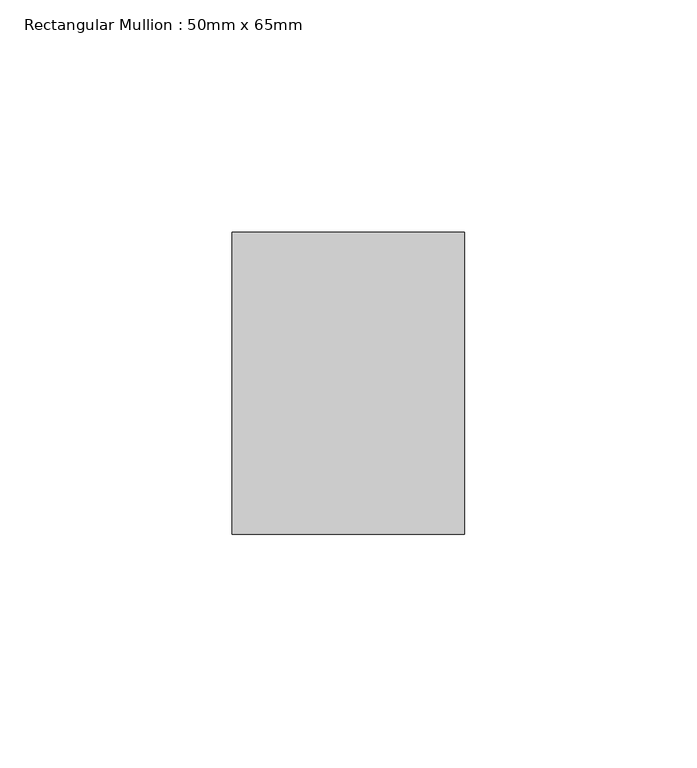
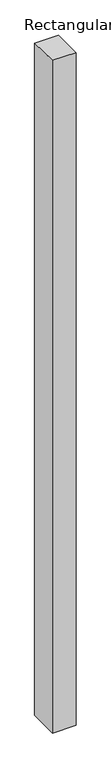
"""IFC4 building model written with IfcOpenShell, lengths in millimetres: member geometry, Rectangular Mullion : 50mm x 65mm."""

import ifcopenshell
import ifcopenshell.guid

model = None  # the IFC model being written
_history = None  # IfcOwnerHistory: only IFC2X3 demands one
_inside = {}  # id of a spatial element -> (the spatial element, [elements in it])
_under = {}  # id of a project, library or spatial element -> (it, [spatial elements below it])
_declared = {}  # id of a project -> (the project, [libraries it declares])
_typed = {}  # id of a type object -> (the type object, [elements of that type])
_made_of = {}  # id of a material, layer set ... -> (it, [elements and type objects made of it])


def new_model(schema):
    """Start an empty IFC model of exactly this schema.

    Asked for "IFC4X3", IfcOpenShell would pick the latest addendum, in which some entities
    have other attributes; the version numbers below select the first issue.
    IFC2X3 requires an IfcOwnerHistory on every rooted entity: one is made here for all.
    """
    global model, _history
    if schema == "IFC4X3":
        model = ifcopenshell.file(schema_version=(4, 3, 0, 0))
    else:
        model = ifcopenshell.file(schema=schema)
    _inside.clear()
    _under.clear()
    _declared.clear()
    _typed.clear()
    _made_of.clear()
    _history = None
    if model.schema == "IFC2X3":
        org = make("IfcOrganization", Name="unknown")
        user = make(
            "IfcPersonAndOrganization",
            ThePerson=make("IfcPerson", FamilyName="unknown"),
            TheOrganization=org,
        )
        app = make(
            "IfcApplication",
            ApplicationDeveloper=org,
            Version="unknown",
            ApplicationFullName="unknown",
            ApplicationIdentifier="unknown",
        )
        _history = make(
            "IfcOwnerHistory",
            OwningUser=user,
            OwningApplication=app,
            ChangeAction="ADDED",
            CreationDate=0,
        )
    return model


def make(cls, **values):
    """One entity of the class cls with the attributes given. An attribute that is None is left unset."""
    return model.create_entity(
        cls, **{name: value for name, value in values.items() if value is not None}
    )


def rooted(cls, **values):
    """An entity with a GlobalId (a new one), such as an element, a storey or a relation."""
    return make(cls, GlobalId=ifcopenshell.guid.new(), OwnerHistory=_history, **values)


def si_unit(unit_type, name, prefix=None):
    """IfcSIUnit, for example si_unit("LENGTHUNIT", "METRE", prefix="MILLI")."""
    return make("IfcSIUnit", UnitType=unit_type, Prefix=prefix, Name=name)


def assignment(units):
    """IfcUnitAssignment: the units of a project."""
    return None if units is None else make("IfcUnitAssignment", Units=units)


def point(xyz):
    """IfcCartesianPoint."""
    return None if xyz is None else make("IfcCartesianPoint", Coordinates=xyz)


def direction(xyz):
    """IfcDirection."""
    return None if xyz is None else make("IfcDirection", DirectionRatios=xyz)


def frame(location, z_axis=None, x_axis=None):
    """IfcAxis2Placement3D, a coordinate frame: its origin and axes. An axis left out is left unset."""
    return make(
        "IfcAxis2Placement3D",
        Location=point(location),
        Axis=direction(z_axis),
        RefDirection=direction(x_axis),
    )


def origin():
    """The frame at (0, 0, 0) with its axes left unset."""
    return frame((0.0, 0.0, 0.0))


def place(relative_to, where):
    """IfcLocalPlacement: puts the frame where relative to a parent placement (None: the world)."""
    return make(
        "IfcLocalPlacement", PlacementRelTo=relative_to, RelativePlacement=where
    )


def context(
    kind, dimensions, precision=None, world=None, true_north=None, identifier=None
):
    """IfcGeometricRepresentationContext, for example the 3D "Model" context."""
    return make(
        "IfcGeometricRepresentationContext",
        ContextIdentifier=identifier,
        ContextType=kind,
        CoordinateSpaceDimension=dimensions,
        Precision=precision,
        WorldCoordinateSystem=world,
        TrueNorth=true_north,
    )


def project(units=None, contexts=None):
    """IfcProject with its units and contexts."""
    return rooted(
        "IfcProject",
        Name="project",
        RepresentationContexts=contexts,
        UnitsInContext=assignment(units),
    )


def spatial(cls, under=None, at=None, **own):
    """A site, building, storey or space (cls), placed at a placement, below another one or the project."""
    s = rooted(cls, ObjectPlacement=at, **own)
    if under is not None:
        _under.setdefault(under.id(), (under, []))[1].append(s)
    return s


def polyline(points):
    """IfcPolyline through the points."""
    return make("IfcPolyline", Points=[point(p) for p in points])


def outline(outer, holes=None, kind="AREA"):
    """IfcArbitraryClosedProfileDef: a profile drawn as a closed curve; with holes, ...WithVoids."""
    if holes is None:
        return make("IfcArbitraryClosedProfileDef", ProfileType=kind, OuterCurve=outer)
    return make(
        "IfcArbitraryProfileDefWithVoids",
        ProfileType=kind,
        OuterCurve=outer,
        InnerCurves=holes,
    )


def extrude(swept, where, along, depth):
    """IfcExtrudedAreaSolid: the profile swept, set in the frame where, extruded along a direction by depth."""
    return make(
        "IfcExtrudedAreaSolid",
        SweptArea=swept,
        Position=where,
        ExtrudedDirection=direction(along),
        Depth=depth,
    )


def shape(context_of_items, identifier, shape_type, items):
    """IfcShapeRepresentation: the items that make up one representation, for example the "Body"."""
    return make(
        "IfcShapeRepresentation",
        ContextOfItems=context_of_items,
        RepresentationIdentifier=identifier,
        RepresentationType=shape_type,
        Items=items,
    )


def source(mapping_origin, context_of_items, identifier, shape_type, items):
    """IfcRepresentationMap: a shape defined once, which mapped items show again and again."""
    return make(
        "IfcRepresentationMap",
        MappingOrigin=mapping_origin,
        MappedRepresentation=shape(context_of_items, identifier, shape_type, items),
    )


def transform(
    local_origin,
    x_axis=None,
    y_axis=None,
    z_axis=None,
    scale=None,
    scale2=None,
    scale3=None,
    uniform=True,
):
    """IfcCartesianTransformationOperator3D, or its non-uniform kind. x_axis, y_axis, z_axis: its Axis1, 2, 3."""
    if uniform:
        return make(
            "IfcCartesianTransformationOperator3D",
            Axis1=direction(x_axis),
            Axis2=direction(y_axis),
            LocalOrigin=point(local_origin),
            Scale=scale,
            Axis3=direction(z_axis),
        )
    return make(
        "IfcCartesianTransformationOperator3DnonUniform",
        Axis1=direction(x_axis),
        Axis2=direction(y_axis),
        LocalOrigin=point(local_origin),
        Scale=scale,
        Axis3=direction(z_axis),
        Scale2=scale2,
        Scale3=scale3,
    )


def mapped(mapping_source, mapping_target):
    """IfcMappedItem: shows the shape of a source again, moved by a transform."""
    return make(
        "IfcMappedItem", MappingSource=mapping_source, MappingTarget=mapping_target
    )


def made_of(thing, what):
    """Note that an element or type object is made of a material, layer set ...; save() writes the relation."""
    if what is not None:
        _made_of.setdefault(what.id(), (what, []))[1].append(thing)
    return thing


def element(
    cls,
    number,
    at=None,
    inside=None,
    cuts=None,
    type_object=None,
    material=None,
    context=None,
    identifier="Body",
    shape_type=None,
    held_by="IfcProductDefinitionShape",
    body=None,
    shapes=None,
    **own,
):
    """One element of the class cls, such as IfcWall. Its Tag is "e" and its number.

    at: its placement. inside: the storey or other place that contains it. cuts: it is an
    opening in that element (IfcRelVoidsElement). A single representation is given by context,
    identifier, shape_type and body (its items); several are given by shapes. held_by: the class
    of the entity that holds the representations. save() writes the other relations.
    """
    e = rooted(cls, Tag="e%d" % number, ObjectPlacement=at, **own)
    if body is not None:
        shapes = [shape(context, identifier, shape_type, body)]
    if shapes is not None:
        e.Representation = make(held_by, Representations=shapes)
    if inside is not None:
        _inside.setdefault(inside.id(), (inside, []))[1].append(e)
    if cuts is not None:
        rooted(
            "IfcRelVoidsElement", RelatingBuildingElement=cuts, RelatedOpeningElement=e
        )
    if type_object is not None:
        _typed.setdefault(type_object.id(), (type_object, []))[1].append(e)
    return made_of(e, material)


def aggregate(whole, parts):
    """IfcRelAggregates: a whole, such as a stair, and the parts it consists of."""
    return rooted("IfcRelAggregates", RelatingObject=whole, RelatedObjects=parts)


def save(model, path):
    """Write the relations noted so far, then the file.

    IfcRelAggregates (storeys below a building ...), IfcRelContainedInSpatialStructure (elements
    in a storey), IfcRelDefinesByType, IfcRelAssociatesMaterial and IfcRelDeclares: one each for
    every whole, place, type object, material and project.
    """
    for whole, parts in _under.values():
        aggregate(whole, parts)
    for where, things in _inside.values():
        rooted(
            "IfcRelContainedInSpatialStructure",
            RelatedElements=things,
            RelatingStructure=where,
        )
    for kind, things in _typed.values():
        rooted("IfcRelDefinesByType", RelatedObjects=things, RelatingType=kind)
    for what, things in _made_of.values():
        rooted("IfcRelAssociatesMaterial", RelatedObjects=things, RelatingMaterial=what)
    for by, libraries in _declared.values():
        rooted("IfcRelDeclares", RelatingContext=by, RelatedDefinitions=libraries)
    model.write(path)


def rectangular_mullion_50mm_x_65mm_01ddadfd(model_context):
    return source(origin(), model_context, "Body", "SweptSolid", [
        extrude(outline(polyline([(-32.5, 0.407326), (32.5, -0.4073259), (32.5, -1499.6939852), (-32.5, -1500.3054324), (-32.5, 0.407326)])), frame((-25.0, 0.0, 0.0), z_axis=(1.0, 0.0, 0.0), x_axis=(0.0, 1.0, 0.0)), (0.0, 0.0, 1.0), 50.0),
    ])


if __name__ == "__main__":
    model = new_model("IFC4")
    model_context = context("Model", 3, world=origin())
    ifc_project = project(units=[si_unit("LENGTHUNIT", "METRE", prefix="MILLI")], contexts=[model_context])
    site = spatial("IfcSite", under=ifc_project)
    building = spatial("IfcBuilding", under=site)
    placement = place(None, origin())
    rectangular_mullion_50mm_x_65mm_shape = rectangular_mullion_50mm_x_65mm_01ddadfd(model_context)
    element("IfcMember", 1, ObjectType="Rectangular Mullion : 50mm x 65mm", at=placement, inside=building, context=model_context, shape_type="MappedRepresentation", body=[
        mapped(rectangular_mullion_50mm_x_65mm_shape, transform((0.0, 0.0, 0.0), x_axis=(1.0, 0.0, 0.0), y_axis=(0.0, 1.0, 0.0), z_axis=(0.0, 0.0, 1.0))),
    ])
    save(model, "model.ifc")
